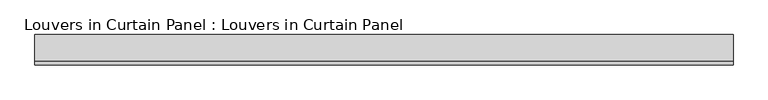
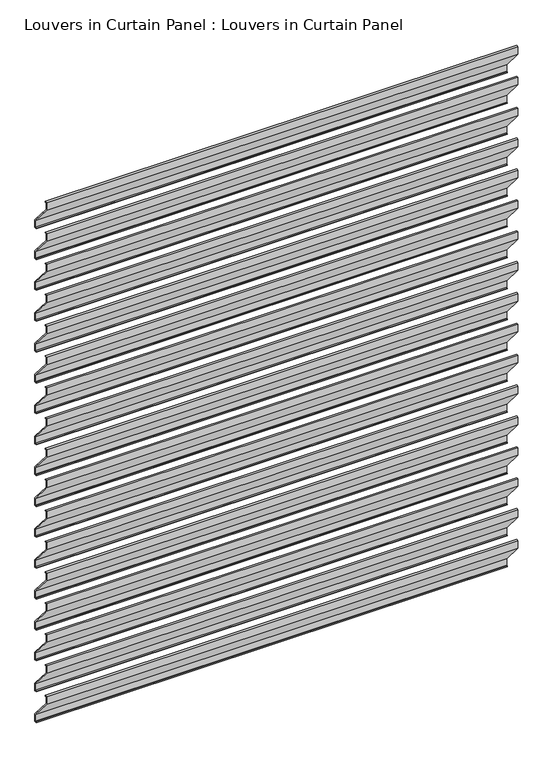
"""IFC4 building model written with IfcOpenShell, lengths in millimetres: plate geometry, Louvers in Curtain Panel : Louvers in Curtain Panel."""

from ifc_helpers import new_model, si_unit, frame, origin, place, context, project, spatial, polyline, outline, extrude, source, transform, mapped, element, save


def louvers_in_curtain_panel_louvers_in_curtain_panel_a646ca50(model_context):
    return source(origin(), model_context, "Body", "SweptSolid", [
        extrude(outline(polyline([(-22.621875, 1579.4294063), (-17.859375, 1579.4294063), (-17.859375, 1577.8419063), (-21.034375, 1577.8419063), (-21.034375, 1561.9669063), (24.209375, 1508.7856563), (24.209375, 1490.5294063), (19.446875, 1490.5294063), (19.446875, 1492.1169063), (22.621875, 1492.1169063), (22.621875, 1507.9919063), (-22.621875, 1561.1731563), (-22.621875, 1579.4294063)])), frame((-543.0794497, 0.0, 0.0), z_axis=(1.0, 0.0, 0.0), x_axis=(0.0, 1.0, 0.0)), (0.0, 0.0, 1.0), 1086.1588993),
        extrude(outline(polyline([(-22.621875, 1504.2172376), (-17.859375, 1504.2172376), (-17.859375, 1502.6297376), (-21.034375, 1502.6297376), (-21.034375, 1486.7547376), (24.209375, 1433.5734876), (24.209375, 1415.3172376), (19.446875, 1415.3172376), (19.446875, 1416.9047376), (22.621875, 1416.9047376), (22.621875, 1432.7797376), (-22.621875, 1485.9609876), (-22.621875, 1504.2172376)])), frame((-543.0794497, 0.0, 0.0), z_axis=(1.0, 0.0, 0.0), x_axis=(0.0, 1.0, 0.0)), (0.0, 0.0, 1.0), 1086.1588993),
        extrude(outline(polyline([(-22.621875, 1429.0050688), (-17.859375, 1429.0050688), (-17.859375, 1427.4175688), (-21.034375, 1427.4175688), (-21.034375, 1411.5425688), (24.209375, 1358.3613188), (24.209375, 1340.1050688), (19.446875, 1340.1050688), (19.446875, 1341.6925688), (22.621875, 1341.6925688), (22.621875, 1357.5675688), (-22.621875, 1410.7488188), (-22.621875, 1429.0050688)])), frame((-543.0794497, 0.0, 0.0), z_axis=(1.0, 0.0, 0.0), x_axis=(0.0, 1.0, 0.0)), (0.0, 0.0, 1.0), 1086.1588993),
        extrude(outline(polyline([(-22.621875, 1353.7929001), (-17.859375, 1353.7929001), (-17.859375, 1352.2054001), (-21.034375, 1352.2054001), (-21.034375, 1336.3304001), (24.209375, 1283.1491501), (24.209375, 1264.8929001), (19.446875, 1264.8929001), (19.446875, 1266.4804001), (22.621875, 1266.4804001), (22.621875, 1282.3554001), (-22.621875, 1335.5366501), (-22.621875, 1353.7929001)])), frame((-543.0794497, 0.0, 0.0), z_axis=(1.0, 0.0, 0.0), x_axis=(0.0, 1.0, 0.0)), (0.0, 0.0, 1.0), 1086.1588993),
        extrude(outline(polyline([(-22.621875, 1278.5807313), (-17.859375, 1278.5807313), (-17.859375, 1276.9932313), (-21.034375, 1276.9932313), (-21.034375, 1261.1182313), (24.209375, 1207.9369813), (24.209375, 1189.6807313), (19.446875, 1189.6807313), (19.446875, 1191.2682313), (22.621875, 1191.2682313), (22.621875, 1207.1432313), (-22.621875, 1260.3244813), (-22.621875, 1278.5807313)])), frame((-543.0794497, 0.0, 0.0), z_axis=(1.0, 0.0, 0.0), x_axis=(0.0, 1.0, 0.0)), (0.0, 0.0, 1.0), 1086.1588993),
        extrude(outline(polyline([(-22.621875, 1203.3685626), (-17.859375, 1203.3685626), (-17.859375, 1201.7810626), (-21.034375, 1201.7810626), (-21.034375, 1185.9060626), (24.209375, 1132.7248126), (24.209375, 1114.4685626), (19.446875, 1114.4685626), (19.446875, 1116.0560626), (22.621875, 1116.0560626), (22.621875, 1131.9310626), (-22.621875, 1185.1123126), (-22.621875, 1203.3685626)])), frame((-543.0794497, 0.0, 0.0), z_axis=(1.0, 0.0, 0.0), x_axis=(0.0, 1.0, 0.0)), (0.0, 0.0, 1.0), 1086.1588993),
        extrude(outline(polyline([(-22.621875, 1128.1563938), (-17.859375, 1128.1563938), (-17.859375, 1126.5688938), (-21.034375, 1126.5688938), (-21.034375, 1110.6938938), (24.209375, 1057.5126438), (24.209375, 1039.2563938), (19.446875, 1039.2563938), (19.446875, 1040.8438938), (22.621875, 1040.8438938), (22.621875, 1056.7188938), (-22.621875, 1109.9001438), (-22.621875, 1128.1563938)])), frame((-543.0794497, 0.0, 0.0), z_axis=(1.0, 0.0, 0.0), x_axis=(0.0, 1.0, 0.0)), (0.0, 0.0, 1.0), 1086.1588993),
        extrude(outline(polyline([(-22.621875, 1052.944225), (-17.859375, 1052.944225), (-17.859375, 1051.356725), (-21.034375, 1051.356725), (-21.034375, 1035.481725), (24.209375, 982.300475), (24.209375, 964.044225), (19.446875, 964.044225), (19.446875, 965.631725), (22.621875, 965.631725), (22.621875, 981.506725), (-22.621875, 1034.687975), (-22.621875, 1052.944225)])), frame((-543.0794497, 0.0, 0.0), z_axis=(1.0, 0.0, 0.0), x_axis=(0.0, 1.0, 0.0)), (0.0, 0.0, 1.0), 1086.1588993),
        extrude(outline(polyline([(-22.621875, 977.7320563), (-17.859375, 977.7320563), (-17.859375, 976.1445563), (-21.034375, 976.1445563), (-21.034375, 960.2695563), (24.209375, 907.0883063), (24.209375, 888.8320563), (19.446875, 888.8320563), (19.446875, 890.4195563), (22.621875, 890.4195563), (22.621875, 906.2945563), (-22.621875, 959.4758063), (-22.621875, 977.7320563)])), frame((-543.0794497, 0.0, 0.0), z_axis=(1.0, 0.0, 0.0), x_axis=(0.0, 1.0, 0.0)), (0.0, 0.0, 1.0), 1086.1588993),
        extrude(outline(polyline([(-22.621875, 902.5198875), (-17.859375, 902.5198875), (-17.859375, 900.9323875), (-21.034375, 900.9323875), (-21.034375, 885.0573875), (24.209375, 831.8761375), (24.209375, 813.6198875), (19.446875, 813.6198875), (19.446875, 815.2073875), (22.621875, 815.2073875), (22.621875, 831.0823875), (-22.621875, 884.2636375), (-22.621875, 902.5198875)])), frame((-543.0794497, 0.0, 0.0), z_axis=(1.0, 0.0, 0.0), x_axis=(0.0, 1.0, 0.0)), (0.0, 0.0, 1.0), 1086.1588993),
        extrude(outline(polyline([(-22.621875, 827.3077188), (-17.859375, 827.3077188), (-17.859375, 825.7202188), (-21.034375, 825.7202188), (-21.034375, 809.8452188), (24.209375, 756.6639688), (24.209375, 738.4077188), (19.446875, 738.4077188), (19.446875, 739.9952188), (22.621875, 739.9952188), (22.621875, 755.8702188), (-22.621875, 809.0514688), (-22.621875, 827.3077188)])), frame((-543.0794497, 0.0, 0.0), z_axis=(1.0, 0.0, 0.0), x_axis=(0.0, 1.0, 0.0)), (0.0, 0.0, 1.0), 1086.1588993),
        extrude(outline(polyline([(-22.621875, 752.09555), (-17.859375, 752.09555), (-17.859375, 750.50805), (-21.034375, 750.50805), (-21.034375, 734.63305), (24.209375, 681.4518), (24.209375, 663.19555), (19.446875, 663.19555), (19.446875, 664.78305), (22.621875, 664.78305), (22.621875, 680.65805), (-22.621875, 733.8393), (-22.621875, 752.09555)])), frame((-543.0794497, 0.0, 0.0), z_axis=(1.0, 0.0, 0.0), x_axis=(0.0, 1.0, 0.0)), (0.0, 0.0, 1.0), 1086.1588993),
        extrude(outline(polyline([(-22.621875, 676.8833813), (-17.859375, 676.8833813), (-17.859375, 675.2958813), (-21.034375, 675.2958813), (-21.034375, 659.4208813), (24.209375, 606.2396313), (24.209375, 587.9833813), (19.446875, 587.9833813), (19.446875, 589.5708813), (22.621875, 589.5708813), (22.621875, 605.4458813), (-22.621875, 658.6271313), (-22.621875, 676.8833813)])), frame((-543.0794497, 0.0, 0.0), z_axis=(1.0, 0.0, 0.0), x_axis=(0.0, 1.0, 0.0)), (0.0, 0.0, 1.0), 1086.1588993),
        extrude(outline(polyline([(-22.621875, 601.6712125), (-17.859375, 601.6712125), (-17.859375, 600.0837125), (-21.034375, 600.0837125), (-21.034375, 584.2087125), (24.209375, 531.0274625), (24.209375, 512.7712125), (19.446875, 512.7712125), (19.446875, 514.3587125), (22.621875, 514.3587125), (22.621875, 530.2337125), (-22.621875, 583.4149625), (-22.621875, 601.6712125)])), frame((-543.0794497, 0.0, 0.0), z_axis=(1.0, 0.0, 0.0), x_axis=(0.0, 1.0, 0.0)), (0.0, 0.0, 1.0), 1086.1588993),
        extrude(outline(polyline([(-22.621875, 526.4590438), (-17.859375, 526.4590438), (-17.859375, 524.8715438), (-21.034375, 524.8715438), (-21.034375, 508.9965438), (24.209375, 455.8152938), (24.209375, 437.5590438), (19.446875, 437.5590438), (19.446875, 439.1465438), (22.621875, 439.1465438), (22.621875, 455.0215438), (-22.621875, 508.2027938), (-22.621875, 526.4590438)])), frame((-543.0794497, 0.0, 0.0), z_axis=(1.0, 0.0, 0.0), x_axis=(0.0, 1.0, 0.0)), (0.0, 0.0, 1.0), 1086.1588993),
        extrude(outline(polyline([(-22.621875, 1654.6415751), (-17.859375, 1654.6415751), (-17.859375, 1653.0540751), (-21.034375, 1653.0540751), (-21.034375, 1637.1790751), (24.209375, 1583.9978251), (24.209375, 1565.7415751), (19.446875, 1565.7415751), (19.446875, 1567.3290751), (22.621875, 1567.3290751), (22.621875, 1583.2040751), (-22.621875, 1636.3853251), (-22.621875, 1654.6415751)])), frame((-543.0794497, 0.0, 0.0), z_axis=(1.0, 0.0, 0.0), x_axis=(0.0, 1.0, 0.0)), (0.0, 0.0, 1.0), 1086.1588993),
        extrude(outline(polyline([(-22.621875, 451.246875), (-17.859375, 451.246875), (-17.859375, 449.659375), (-21.034375, 449.659375), (-21.034375, 433.784375), (24.209375, 380.603125), (24.209375, 362.346875), (19.446875, 362.346875), (19.446875, 363.934375), (22.621875, 363.934375), (22.621875, 379.809375), (-22.621875, 432.990625), (-22.621875, 451.246875)])), frame((-543.0794497, 0.0, 0.0), z_axis=(1.0, 0.0, 0.0), x_axis=(0.0, 1.0, 0.0)), (0.0, 0.0, 1.0), 1086.1588993),
    ])


if __name__ == "__main__":
    model = new_model("IFC4")
    model_context = context("Model", 3, world=origin())
    ifc_project = project(units=[si_unit("LENGTHUNIT", "METRE", prefix="MILLI")], contexts=[model_context])
    site = spatial("IfcSite", under=ifc_project)
    building = spatial("IfcBuilding", under=site)
    placement = place(None, origin())
    louvers_in_curtain_panel_louvers_in_curtain_panel_shape = louvers_in_curtain_panel_louvers_in_curtain_panel_a646ca50(model_context)
    element("IfcPlate", 1, ObjectType="Louvers in Curtain Panel : Louvers in Curtain Panel", at=placement, inside=building, context=model_context, shape_type="MappedRepresentation", body=[
        mapped(louvers_in_curtain_panel_louvers_in_curtain_panel_shape, transform((0.0, 0.0, 0.0), x_axis=(1.0, 0.0, 0.0), y_axis=(0.0, 1.0, 0.0), z_axis=(0.0, 0.0, 1.0))),
    ])
    save(model, "model.ifc")
